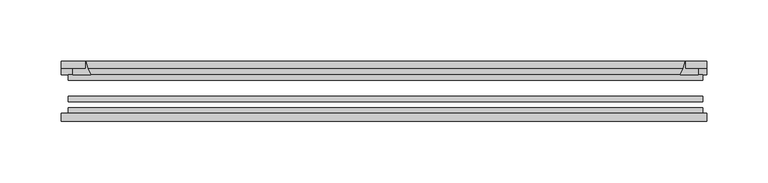
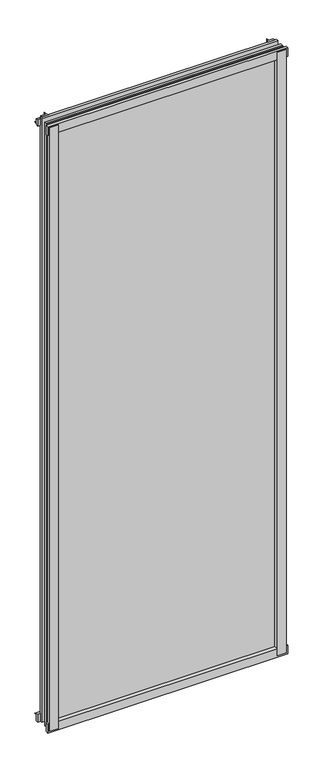
"""IFC4 building model written with IfcOpenShell, lengths in millimetres: plate geometry."""

from ifc_helpers import new_model, si_unit, point, frame, frame_2d, origin, place, context, project, spatial, polyline, circle_curve, trimmed, segment, composite_curve, outline, extrude, source, transform, mapped, element, save


def plate_2e1d130d(model_context):
    return source(origin(), model_context, "Body", "SweptSolid", [
        extrude(outline(composite_curve([segment(polyline([(-261.3421875, -78.7828625), (-239.9209862, -78.7828625)]), True, "CONTINUOUS"), segment(trimmed(circle_curve(frame_2d((-232.2838206, -84.652782)), 9.6323545), [point((-239.9209862, -78.7828625))], [point((-241.904204, -85.1328625))], True, "CARTESIAN"), True, "CONTINUOUS"), segment(polyline([(-241.904204, -85.1328625), (-261.3421875, -85.1328625), (-261.3421875, -78.7828625)]), True, "CONTINUOUS")], self_intersect=False)), frame((0.0, 0.0, -14.2875), z_axis=(0.0, 0.0, 1.0), x_axis=(1.0, 0.0, 0.0)), (0.0, 0.0, 1.0), 1400.175),
        extrude(outline(composite_curve([segment(polyline([(258.8044065, -78.7828625), (258.8044065, -85.1328625), (239.3245165, -85.1328625)]), True, "CONTINUOUS"), segment(trimmed(circle_curve(frame_2d((229.7041331, -84.652782)), 9.6323545), [point((239.3245165, -85.1328625))], [point((237.3412987, -78.7828625))], True, "CARTESIAN"), True, "CONTINUOUS"), segment(polyline([(237.3412987, -78.7828625), (258.8044065, -78.7828625)]), True, "CONTINUOUS")], self_intersect=False)), frame((0.0, 0.0, -14.2875), z_axis=(0.0, 0.0, 1.0), x_axis=(1.0, 0.0, 0.0)), (0.0, 0.0, 1.0), 1400.175),
        extrude(outline(composite_curve([segment(polyline([(-47.1852625, -14.2875), (-47.1852625, 3.9588469)]), True, "CONTINUOUS"), segment(trimmed(circle_curve(frame_2d((-30.6824422, 32.267054)), 32.7673262), [point((-47.1852625, 3.9588469))], [point((-36.3503395, -0.00635))], True, "CARTESIAN"), True, "CONTINUOUS"), segment(polyline([(-36.3503395, -0.00635), (-42.2830625, -0.00635), (-42.2830625, -14.2875), (-47.1852625, -14.2875)]), True, "CONTINUOUS")], self_intersect=False)), frame((-264.5171875, 0.0, 0.0), z_axis=(1.0, 0.0, 0.0), x_axis=(0.0, 1.0, 0.0)), (0.0, 0.0, 1.0), 526.4546875),
        extrude(outline(composite_curve([segment(polyline([(-78.7828625, -16.8821065), (-85.1328625, -16.8821065), (-85.1328625, 2.5977835)]), True, "CONTINUOUS"), segment(trimmed(circle_curve(frame_2d((-84.652782, 12.2181669)), 9.6323545), [point((-85.1328625, 2.5977835))], [point((-78.7828625, 4.5810013))], True, "CARTESIAN"), True, "CONTINUOUS"), segment(polyline([(-78.7828625, 4.5810013), (-78.7828625, -16.8821065)]), True, "CONTINUOUS")], self_intersect=False)), frame((-264.5171875, 0.0, 0.0), z_axis=(1.0, 0.0, 0.0), x_axis=(0.0, 1.0, 0.0)), (0.0, 0.0, 1.0), 526.4546875),
        extrude(outline(composite_curve([segment(polyline([(-47.1852625, 1367.6284531), (-47.1852625, 1382.3002564), (-42.2830625, 1382.3002564), (-42.2830625, 1371.6), (-36.3140625, 1371.6)]), True, "CONTINUOUS"), segment(trimmed(circle_curve(frame_2d((-30.6824422, 1339.320246)), 32.7673262), [point((-36.3140625, 1371.6))], [point((-47.1852625, 1367.6284531))], True, "CARTESIAN"), True, "CONTINUOUS")], self_intersect=False)), frame((-264.5171875, 0.0, 0.0), z_axis=(1.0, 0.0, 0.0), x_axis=(0.0, 1.0, 0.0)), (0.0, 0.0, 1.0), 526.4546875),
        extrude(outline(composite_curve([segment(polyline([(-78.7828625, 1388.4694065), (-78.7828625, 1367.0062987)]), True, "CONTINUOUS"), segment(trimmed(circle_curve(frame_2d((-84.652782, 1359.3691331)), 9.6323545), [point((-78.7828625, 1367.0062987))], [point((-85.1328625, 1368.9895165))], True, "CARTESIAN"), True, "CONTINUOUS"), segment(polyline([(-85.1328625, 1368.9895165), (-85.1328625, 1388.4694065), (-78.7828625, 1388.4694065)]), True, "CONTINUOUS")], self_intersect=False)), frame((-264.5171875, 0.0, 0.0), z_axis=(1.0, 0.0, 0.0), x_axis=(0.0, 1.0, 0.0)), (0.0, 0.0, 1.0), 526.4546875),
        extrude(outline(composite_curve([segment(trimmed(circle_curve(frame_2d((212.195246, -30.6824422)), 32.7673262), [point((240.5034531, -47.1852625))], [point((244.475, -36.3140625))], True, "CARTESIAN"), True, "CONTINUOUS"), segment(polyline([(244.475, -36.3140625), (244.475, -42.2830625), (255.1753653, -42.2830625), (255.1753653, -47.1852625), (240.5034531, -47.1852625)]), True, "CONTINUOUS")], self_intersect=False)), frame((0.0, 0.0, -14.2875), z_axis=(0.0, 0.0, 1.0), x_axis=(1.0, 0.0, 0.0)), (0.0, 0.0, 1.0), 1400.175),
        extrude(outline(composite_curve([segment(polyline([(-240.5034531, -47.1852625), (-255.1702092, -47.1852625), (-255.1702092, -42.2830625), (-244.475, -42.2830625), (-244.475, -36.3140625)]), True, "CONTINUOUS"), segment(trimmed(circle_curve(frame_2d((-212.195246, -30.6824422)), 32.7673262), [point((-244.475, -36.3140625))], [point((-240.5034531, -47.1852625))], True, "CARTESIAN"), True, "CONTINUOUS")], self_intersect=False)), frame((0.0, 0.0, -14.2875), z_axis=(0.0, 0.0, 1.0), x_axis=(1.0, 0.0, 0.0)), (0.0, 0.0, 1.0), 1400.175),
        extrude(outline(polyline([(258.7625, -64.6604625), (258.7625, -69.4356625), (-258.7625, -69.4356625), (-258.7625, -64.6604625), (258.7625, -64.6604625)])), frame((0.0, 0.0, -14.2875), z_axis=(0.0, 0.0, 1.0), x_axis=(1.0, 0.0, 0.0)), (0.0, 0.0, 1.0), 1400.175),
        extrude(outline(polyline([(-258.7625, -78.7828625), (-258.7625, -74.0076625), (258.7625, -74.0076625), (258.7625, -78.7828625), (-258.7625, -78.7828625)])), frame((0.0, 0.0, -14.2875), z_axis=(0.0, 0.0, 1.0), x_axis=(1.0, 0.0, 0.0)), (0.0, 0.0, 1.0), 1400.175),
        extrude(outline(polyline([(-258.7625, -47.1852625), (258.7625, -47.1852625), (258.7625, -51.9604625), (-258.7625, -51.9604625), (-258.7625, -47.1852625)])), frame((0.0, 0.0, -14.2875), z_axis=(0.0, 0.0, 1.0), x_axis=(1.0, 0.0, 0.0)), (0.0, 0.0, 1.0), 1400.175),
    ])


if __name__ == "__main__":
    model = new_model("IFC4")
    model_context = context("Model", 3, world=origin())
    ifc_project = project(units=[si_unit("LENGTHUNIT", "METRE", prefix="MILLI")], contexts=[model_context])
    site = spatial("IfcSite", under=ifc_project)
    building = spatial("IfcBuilding", under=site)
    placement = place(None, origin())
    plate_shape = plate_2e1d130d(model_context)
    element("IfcPlate", 1, at=placement, inside=building, context=model_context, shape_type="MappedRepresentation", body=[
        mapped(plate_shape, transform((0.0, 0.0, 0.0), x_axis=(1.0, 0.0, 0.0), y_axis=(0.0, 1.0, 0.0), z_axis=(0.0, 0.0, 1.0))),
    ])
    save(model, "model.ifc")
